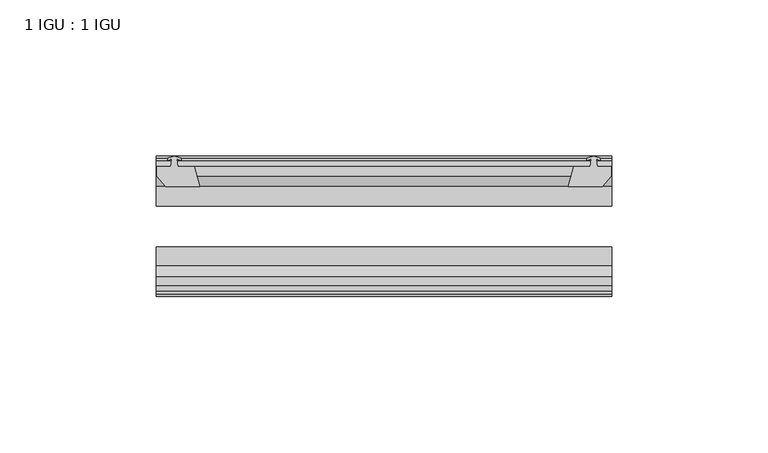
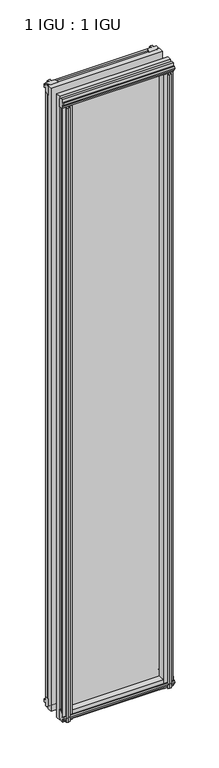
"""IFC4 building model written with IfcOpenShell, lengths in millimetres: plate geometry, 1 IGU : 1 IGU."""

import ifcopenshell
import ifcopenshell.guid

model = None  # the IFC model being written
_history = None  # IfcOwnerHistory: only IFC2X3 demands one
_inside = {}  # id of a spatial element -> (the spatial element, [elements in it])
_under = {}  # id of a project, library or spatial element -> (it, [spatial elements below it])
_declared = {}  # id of a project -> (the project, [libraries it declares])
_typed = {}  # id of a type object -> (the type object, [elements of that type])
_made_of = {}  # id of a material, layer set ... -> (it, [elements and type objects made of it])


def new_model(schema):
    """Start an empty IFC model of exactly this schema.

    Asked for "IFC4X3", IfcOpenShell would pick the latest addendum, in which some entities
    have other attributes; the version numbers below select the first issue.
    IFC2X3 requires an IfcOwnerHistory on every rooted entity: one is made here for all.
    """
    global model, _history
    if schema == "IFC4X3":
        model = ifcopenshell.file(schema_version=(4, 3, 0, 0))
    else:
        model = ifcopenshell.file(schema=schema)
    _inside.clear()
    _under.clear()
    _declared.clear()
    _typed.clear()
    _made_of.clear()
    _history = None
    if model.schema == "IFC2X3":
        org = make("IfcOrganization", Name="unknown")
        user = make(
            "IfcPersonAndOrganization",
            ThePerson=make("IfcPerson", FamilyName="unknown"),
            TheOrganization=org,
        )
        app = make(
            "IfcApplication",
            ApplicationDeveloper=org,
            Version="unknown",
            ApplicationFullName="unknown",
            ApplicationIdentifier="unknown",
        )
        _history = make(
            "IfcOwnerHistory",
            OwningUser=user,
            OwningApplication=app,
            ChangeAction="ADDED",
            CreationDate=0,
        )
    return model


def make(cls, **values):
    """One entity of the class cls with the attributes given. An attribute that is None is left unset."""
    return model.create_entity(
        cls, **{name: value for name, value in values.items() if value is not None}
    )


def rooted(cls, **values):
    """An entity with a GlobalId (a new one), such as an element, a storey or a relation."""
    return make(cls, GlobalId=ifcopenshell.guid.new(), OwnerHistory=_history, **values)


def si_unit(unit_type, name, prefix=None):
    """IfcSIUnit, for example si_unit("LENGTHUNIT", "METRE", prefix="MILLI")."""
    return make("IfcSIUnit", UnitType=unit_type, Prefix=prefix, Name=name)


def assignment(units):
    """IfcUnitAssignment: the units of a project."""
    return None if units is None else make("IfcUnitAssignment", Units=units)


def point(xyz):
    """IfcCartesianPoint."""
    return None if xyz is None else make("IfcCartesianPoint", Coordinates=xyz)


def direction(xyz):
    """IfcDirection."""
    return None if xyz is None else make("IfcDirection", DirectionRatios=xyz)


def frame(location, z_axis=None, x_axis=None):
    """IfcAxis2Placement3D, a coordinate frame: its origin and axes. An axis left out is left unset."""
    return make(
        "IfcAxis2Placement3D",
        Location=point(location),
        Axis=direction(z_axis),
        RefDirection=direction(x_axis),
    )


def origin():
    """The frame at (0, 0, 0) with its axes left unset."""
    return frame((0.0, 0.0, 0.0))


def place(relative_to, where):
    """IfcLocalPlacement: puts the frame where relative to a parent placement (None: the world)."""
    return make(
        "IfcLocalPlacement", PlacementRelTo=relative_to, RelativePlacement=where
    )


def context(
    kind, dimensions, precision=None, world=None, true_north=None, identifier=None
):
    """IfcGeometricRepresentationContext, for example the 3D "Model" context."""
    return make(
        "IfcGeometricRepresentationContext",
        ContextIdentifier=identifier,
        ContextType=kind,
        CoordinateSpaceDimension=dimensions,
        Precision=precision,
        WorldCoordinateSystem=world,
        TrueNorth=true_north,
    )


def project(units=None, contexts=None):
    """IfcProject with its units and contexts."""
    return rooted(
        "IfcProject",
        Name="project",
        RepresentationContexts=contexts,
        UnitsInContext=assignment(units),
    )


def spatial(cls, under=None, at=None, **own):
    """A site, building, storey or space (cls), placed at a placement, below another one or the project."""
    s = rooted(cls, ObjectPlacement=at, **own)
    if under is not None:
        _under.setdefault(under.id(), (under, []))[1].append(s)
    return s


def polyline(points):
    """IfcPolyline through the points."""
    return make("IfcPolyline", Points=[point(p) for p in points])


def outline(outer, holes=None, kind="AREA"):
    """IfcArbitraryClosedProfileDef: a profile drawn as a closed curve; with holes, ...WithVoids."""
    if holes is None:
        return make("IfcArbitraryClosedProfileDef", ProfileType=kind, OuterCurve=outer)
    return make(
        "IfcArbitraryProfileDefWithVoids",
        ProfileType=kind,
        OuterCurve=outer,
        InnerCurves=holes,
    )


def extrude(swept, where, along, depth):
    """IfcExtrudedAreaSolid: the profile swept, set in the frame where, extruded along a direction by depth."""
    return make(
        "IfcExtrudedAreaSolid",
        SweptArea=swept,
        Position=where,
        ExtrudedDirection=direction(along),
        Depth=depth,
    )


def shape(context_of_items, identifier, shape_type, items):
    """IfcShapeRepresentation: the items that make up one representation, for example the "Body"."""
    return make(
        "IfcShapeRepresentation",
        ContextOfItems=context_of_items,
        RepresentationIdentifier=identifier,
        RepresentationType=shape_type,
        Items=items,
    )


def source(mapping_origin, context_of_items, identifier, shape_type, items):
    """IfcRepresentationMap: a shape defined once, which mapped items show again and again."""
    return make(
        "IfcRepresentationMap",
        MappingOrigin=mapping_origin,
        MappedRepresentation=shape(context_of_items, identifier, shape_type, items),
    )


def transform(
    local_origin,
    x_axis=None,
    y_axis=None,
    z_axis=None,
    scale=None,
    scale2=None,
    scale3=None,
    uniform=True,
):
    """IfcCartesianTransformationOperator3D, or its non-uniform kind. x_axis, y_axis, z_axis: its Axis1, 2, 3."""
    if uniform:
        return make(
            "IfcCartesianTransformationOperator3D",
            Axis1=direction(x_axis),
            Axis2=direction(y_axis),
            LocalOrigin=point(local_origin),
            Scale=scale,
            Axis3=direction(z_axis),
        )
    return make(
        "IfcCartesianTransformationOperator3DnonUniform",
        Axis1=direction(x_axis),
        Axis2=direction(y_axis),
        LocalOrigin=point(local_origin),
        Scale=scale,
        Axis3=direction(z_axis),
        Scale2=scale2,
        Scale3=scale3,
    )


def mapped(mapping_source, mapping_target):
    """IfcMappedItem: shows the shape of a source again, moved by a transform."""
    return make(
        "IfcMappedItem", MappingSource=mapping_source, MappingTarget=mapping_target
    )


def made_of(thing, what):
    """Note that an element or type object is made of a material, layer set ...; save() writes the relation."""
    if what is not None:
        _made_of.setdefault(what.id(), (what, []))[1].append(thing)
    return thing


def element(
    cls,
    number,
    at=None,
    inside=None,
    cuts=None,
    type_object=None,
    material=None,
    context=None,
    identifier="Body",
    shape_type=None,
    held_by="IfcProductDefinitionShape",
    body=None,
    shapes=None,
    **own,
):
    """One element of the class cls, such as IfcWall. Its Tag is "e" and its number.

    at: its placement. inside: the storey or other place that contains it. cuts: it is an
    opening in that element (IfcRelVoidsElement). A single representation is given by context,
    identifier, shape_type and body (its items); several are given by shapes. held_by: the class
    of the entity that holds the representations. save() writes the other relations.
    """
    e = rooted(cls, Tag="e%d" % number, ObjectPlacement=at, **own)
    if body is not None:
        shapes = [shape(context, identifier, shape_type, body)]
    if shapes is not None:
        e.Representation = make(held_by, Representations=shapes)
    if inside is not None:
        _inside.setdefault(inside.id(), (inside, []))[1].append(e)
    if cuts is not None:
        rooted(
            "IfcRelVoidsElement", RelatingBuildingElement=cuts, RelatedOpeningElement=e
        )
    if type_object is not None:
        _typed.setdefault(type_object.id(), (type_object, []))[1].append(e)
    return made_of(e, material)


def aggregate(whole, parts):
    """IfcRelAggregates: a whole, such as a stair, and the parts it consists of."""
    return rooted("IfcRelAggregates", RelatingObject=whole, RelatedObjects=parts)


def save(model, path):
    """Write the relations noted so far, then the file.

    IfcRelAggregates (storeys below a building ...), IfcRelContainedInSpatialStructure (elements
    in a storey), IfcRelDefinesByType, IfcRelAssociatesMaterial and IfcRelDeclares: one each for
    every whole, place, type object, material and project.
    """
    for whole, parts in _under.values():
        aggregate(whole, parts)
    for where, things in _inside.values():
        rooted(
            "IfcRelContainedInSpatialStructure",
            RelatedElements=things,
            RelatingStructure=where,
        )
    for kind, things in _typed.values():
        rooted("IfcRelDefinesByType", RelatedObjects=things, RelatingType=kind)
    for what, things in _made_of.values():
        rooted("IfcRelAssociatesMaterial", RelatedObjects=things, RelatingMaterial=what)
    for by, libraries in _declared.values():
        rooted("IfcRelDeclares", RelatingContext=by, RelatedDefinitions=libraries)
    model.write(path)


def plate_1_igu_1_igu_889cd25b(model_context):
    return source(origin(), model_context, "Body", "SweptSolid", [
        extrude(outline(polyline([(64.9755119, -10.4746158), (67.1530409, -9.7670937), (69.33057, -10.4746158), (69.33057, -11.27583), (67.9150409, -10.8158968), (68.2960409, -13.1960937), (72.7410409, -13.1960937), (72.7410409, -16.1424937), (69.9066987, -19.5460937), (59.0853228, -19.5460937), (60.8030409, -13.1960937), (66.0100409, -13.1960937), (66.3910409, -10.8158968), (64.9755119, -11.27583), (64.9755119, -10.4746158)])), frame((0.0, 0.0, -12.4587), z_axis=(0.0, 0.0, 1.0), x_axis=(1.0, 0.0, 0.0)), (0.0, 0.0, 1.0), 863.1174),
        extrude(outline(polyline([(-67.1530409, -9.7670937), (-64.9755119, -10.4746158), (-64.9755119, -11.27583), (-66.3910409, -10.8158968), (-66.0100409, -13.1960937), (-60.8030409, -13.1960937), (-59.0853228, -19.5460937), (-69.9066987, -19.5460937), (-72.7410409, -16.1424937), (-72.7410409, -13.1960937), (-68.2960409, -13.1960937), (-67.9150409, -10.8158968), (-69.33057, -11.27583), (-69.33057, -10.4746158), (-67.1530409, -9.7670937)])), frame((0.0, 0.0, -12.4587), z_axis=(0.0, 0.0, 1.0), x_axis=(1.0, 0.0, 0.0)), (0.0, 0.0, 1.0), 863.1174),
        extrude(outline(polyline([(58.5679248, -44.9460937), (69.3893007, -44.9460938), (72.2236429, -48.3496937), (72.2236429, -51.2960937), (67.7786429, -51.2960937), (67.3976429, -53.6762907), (68.8131719, -53.2163575), (68.8131719, -54.0175717), (66.6356429, -54.7250937), (64.4581138, -54.0175717), (64.4581138, -53.2163575), (65.8736429, -53.6762907), (65.4926429, -51.2960937), (60.2856429, -51.2960937), (58.5679248, -44.9460937)])), frame((0.0, 0.0, -12.4587), z_axis=(0.0, 0.0, 1.0), x_axis=(1.0, 0.0, 0.0)), (0.0, 0.0, 1.0), 850.4174),
        extrude(outline(polyline([(-58.5646228, -44.9460937), (-60.2823409, -51.2960937), (-65.4893409, -51.2960937), (-65.8703409, -53.6762907), (-64.4548119, -53.2163575), (-64.4548119, -54.0175717), (-66.6323409, -54.7250937), (-68.80987, -54.0175717), (-68.80987, -53.2163575), (-67.3943409, -53.6762907), (-67.7753409, -51.2960937), (-72.2203409, -51.2960937), (-72.2203409, -48.3496937), (-69.3859987, -44.9460937), (-58.5646228, -44.9460937)])), frame((0.0, 0.0, -12.4587), z_axis=(0.0, 0.0, 1.0), x_axis=(1.0, 0.0, 0.0)), (0.0, 0.0, 1.0), 850.4174),
        extrude(outline(polyline([(-10.4746158, -4.6931709), (-9.7670937, -6.8707), (-10.4746158, -9.0482291), (-11.27583, -9.0482291), (-10.8158968, -7.6327), (-13.1960937, -8.0137), (-13.1960937, -12.4587), (-16.1424937, -12.4587), (-19.5460937, -9.6243578), (-19.5460937, 1.1970181), (-13.1960937, -0.5207), (-13.1960937, -5.7277), (-10.8158968, -6.1087), (-11.27583, -4.6931709), (-10.4746158, -4.6931709)])), frame((-72.9823409, 0.0, 0.0), z_axis=(1.0, 0.0, 0.0), x_axis=(0.0, 1.0, 0.0)), (0.0, 0.0, 1.0), 145.9646818),
        extrude(outline(polyline([(-44.9460937, 1.7177181), (-44.9460937, -9.1036578), (-48.3496937, -11.938), (-51.2960937, -11.938), (-51.2960937, -7.493), (-53.6762907, -7.112), (-53.2163575, -8.5275291), (-54.0175717, -8.5275291), (-54.7250937, -6.35), (-54.0175717, -4.1724709), (-53.2163575, -4.1724709), (-53.6762907, -5.588), (-51.2960937, -5.207), (-51.2960937, 0.0), (-44.9460937, 1.7177181)])), frame((-72.9823409, 0.0, 0.0), z_axis=(1.0, 0.0, 0.0), x_axis=(0.0, 1.0, 0.0)), (0.0, 0.0, 1.0), 145.9646818),
        extrude(outline(polyline([(-10.8158968, 845.8327), (-11.27583, 847.2482291), (-10.4746158, 847.2482291), (-9.7670937, 845.0707), (-10.4746158, 842.8931709), (-11.27583, 842.8931709), (-10.8158968, 844.3087), (-13.1960937, 843.9277), (-13.1960937, 838.7207), (-19.5460938, 837.0029819), (-19.5460938, 847.8243578), (-16.1424937, 850.6587), (-13.1960937, 850.6587), (-13.1960937, 846.2137), (-10.8158968, 845.8327)])), frame((-72.9823409, 0.0, 0.0), z_axis=(1.0, 0.0, 0.0), x_axis=(0.0, 1.0, 0.0)), (0.0, 0.0, 1.0), 145.9646818),
        extrude(outline(polyline([(-51.2960937, 850.138), (-48.3496937, 850.138), (-44.9460938, 847.3036578), (-44.9460938, 836.4822819), (-51.2960937, 838.2), (-51.2960937, 843.407), (-53.6762907, 843.788), (-53.2163575, 842.3724709), (-54.0175717, 842.3724709), (-54.7250937, 844.55), (-54.0175717, 846.7275291), (-53.2163575, 846.7275291), (-53.6762907, 845.312), (-51.2960937, 845.693), (-51.2960937, 850.138)])), frame((-72.9823409, 0.0, 0.0), z_axis=(1.0, 0.0, 0.0), x_axis=(0.0, 1.0, 0.0)), (0.0, 0.0, 1.0), 145.9646818),
        extrude(outline(polyline([(-72.9823409, -38.9186738), (72.9823409, -38.9186738), (72.9823409, -44.9460937), (-72.9823409, -44.9460937), (-72.9823409, -38.9186738)])), frame((0.0, 0.0, -12.7), z_axis=(0.0, 0.0, 1.0), x_axis=(1.0, 0.0, 0.0)), (0.0, 0.0, 1.0), 863.6),
        extrude(outline(polyline([(-72.9823409, -19.5460937), (72.9823409, -19.5460937), (72.9823409, -25.8960938), (-72.9823409, -25.8960938), (-72.9823409, -19.5460937)])), frame((0.0, 0.0, -12.7), z_axis=(0.0, 0.0, 1.0), x_axis=(1.0, 0.0, 0.0)), (0.0, 0.0, 1.0), 863.6),
    ])


if __name__ == "__main__":
    model = new_model("IFC4")
    model_context = context("Model", 3, world=origin())
    ifc_project = project(units=[si_unit("LENGTHUNIT", "METRE", prefix="MILLI")], contexts=[model_context])
    site = spatial("IfcSite", under=ifc_project)
    building = spatial("IfcBuilding", under=site)
    placement = place(None, origin())
    plate_1_igu_1_igu_shape = plate_1_igu_1_igu_889cd25b(model_context)
    element("IfcPlate", 1, ObjectType="1 IGU : 1 IGU", at=placement, inside=building, context=model_context, shape_type="MappedRepresentation", body=[
        mapped(plate_1_igu_1_igu_shape, transform((0.0, 0.0, 0.0), x_axis=(1.0, 0.0, 0.0), y_axis=(0.0, 1.0, 0.0), z_axis=(0.0, 0.0, 1.0))),
    ])
    save(model, "model.ifc")
